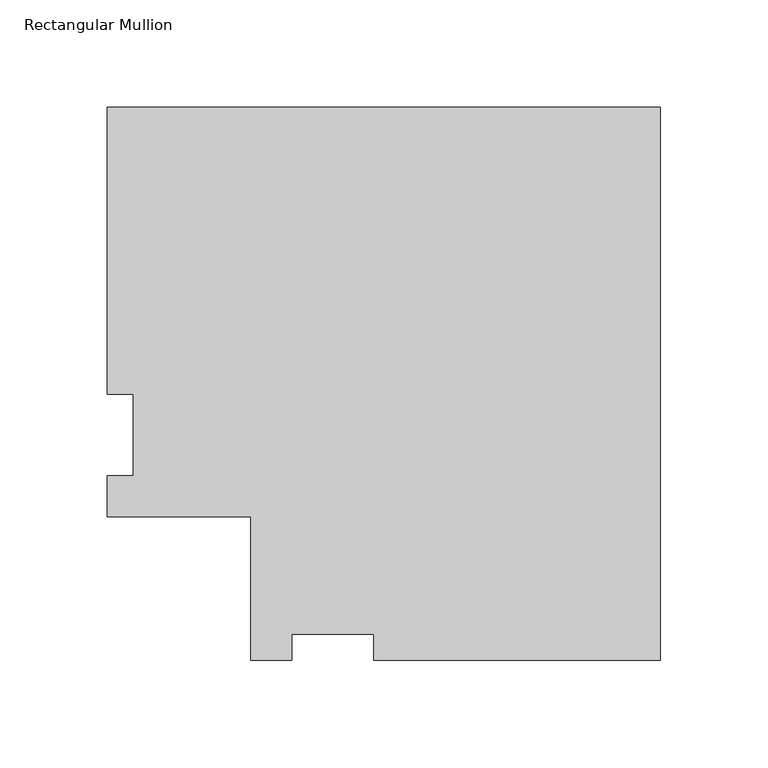
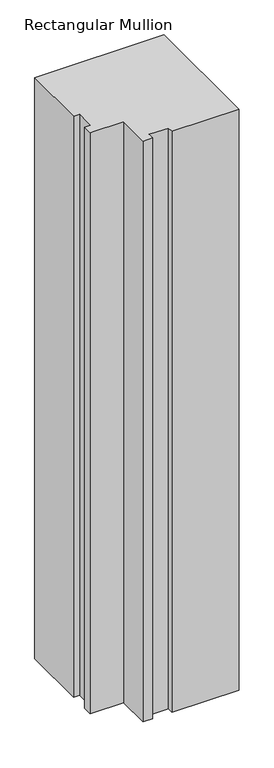
"""IFC4 building model written with IfcOpenShell, lengths in millimetres: member geometry, Rectangular Mullion."""

from ifc_helpers import new_model, si_unit, frame, origin, place, context, project, spatial, polyline, outline, extrude, source, transform, mapped, element, save


def rectangular_mullion_ce47ef44(model_context):
    return source(origin(), model_context, "Body", "SweptSolid", [
        extrude(outline(polyline([(0.0, -104.775), (-133.35, -104.775), (-133.35, -92.8624), (-171.4504842, -92.8624), (-171.4504842, -104.775), (-190.5, -104.775), (-190.5, -38.1), (-257.175, -38.1), (-257.175, -19.0504842), (-245.2624, -19.0504842), (-245.2624, 19.05), (-257.175, 19.05), (-257.175, 152.4), (0.0, 152.4), (0.0, -104.775)])), frame((0.0, 0.0, -1219.2), z_axis=(0.0, 0.0, 1.0), x_axis=(1.0, 0.0, 0.0)), (0.0, 0.0, 1.0), 1219.2),
    ])


if __name__ == "__main__":
    model = new_model("IFC4")
    model_context = context("Model", 3, world=origin())
    ifc_project = project(units=[si_unit("LENGTHUNIT", "METRE", prefix="MILLI")], contexts=[model_context])
    site = spatial("IfcSite", under=ifc_project)
    building = spatial("IfcBuilding", under=site)
    placement = place(None, origin())
    rectangular_mullion_shape = rectangular_mullion_ce47ef44(model_context)
    element("IfcMember", 1, ObjectType="Rectangular Mullion", at=placement, inside=building, context=model_context, shape_type="MappedRepresentation", body=[
        mapped(rectangular_mullion_shape, transform((0.0, 0.0, 0.0), x_axis=(1.0, 0.0, 0.0), y_axis=(0.0, 1.0, 0.0), z_axis=(0.0, 0.0, 1.0))),
    ])
    save(model, "model.ifc")
